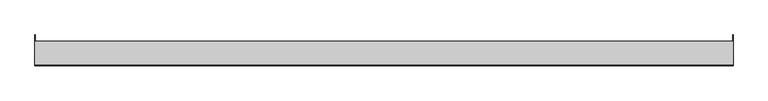
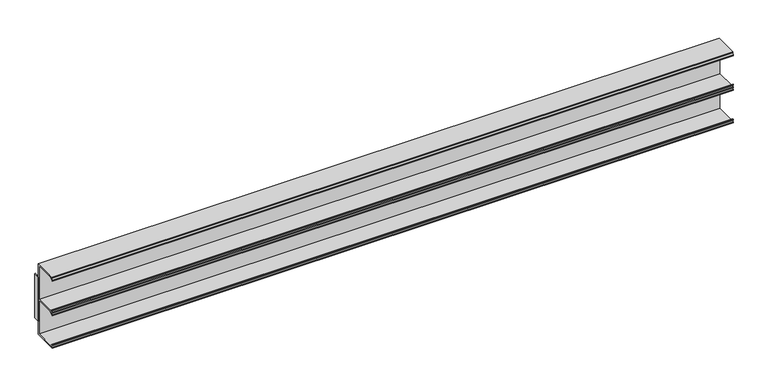
"""IFC4 building model written with IfcOpenShell, lengths in millimetres: furniture geometry."""

from ifc_helpers import new_model, si_unit, frame, origin, place, context, project, spatial, polyline, outline, extrude, source, transform, mapped, element, save


def furniture_f709b026(model_context):
    return source(origin(), model_context, "Body", "SweptSolid", [
        extrude(outline(polyline([(-111.1123009, 1193.8), (-111.1123009, 1060.45), (-153.9875, 1060.45), (-153.9875, 1062.4312017), (-151.1172991, 1062.4312017), (-153.9875, 1065.072801), (-153.9875, 1067.1810027), (-153.1650166, 1067.1810027), (-148.0041722, 1062.4312017), (-113.093501, 1062.4312017), (-113.093501, 1126.1336951), (-148.0041761, 1126.1336951), (-153.1650166, 1121.3838942), (-153.9875, 1121.3838942), (-153.9875, 1123.4920939), (-151.1172991, 1126.1336951), (-153.9875, 1126.1336951), (-153.9875, 1128.1148923), (-151.1172963, 1128.1148923), (-153.9875, 1130.7564962), (-153.9875, 1132.8646933), (-153.1650166, 1132.8646933), (-148.0041761, 1128.1148923), (-113.093501, 1128.1148923), (-113.093501, 1191.8188), (-148.0041761, 1191.8188), (-153.1650166, 1187.0690002), (-153.9875, 1187.0690002), (-153.9875, 1189.1772001), (-151.1172991, 1191.8188), (-152.4127006, 1191.8188), (-152.4127006, 1193.8), (-111.1123009, 1193.8)])), frame((-609.6, 0.0, 0.0), z_axis=(1.0, 0.0, 0.0), x_axis=(0.0, 1.0, 0.0)), (0.0, 0.0, 1.0), 1219.2),
        extrude(outline(polyline([(609.6, -111.1123009), (608.80625, -111.1123009), (608.80625, -100.0125), (609.6, -100.0125), (609.6, -111.1123009)])), frame((0.0, 0.0, 1085.5197997), z_axis=(0.0, 0.0, 1.0), x_axis=(1.0, 0.0, 0.0)), (0.0, 0.0, 1.0), 83.2104006),
        extrude(outline(polyline([(-609.6, -100.0125), (-608.80625, -100.0125), (-608.80625, -111.1123009), (-609.6, -111.1123009), (-609.6, -100.0125)])), frame((0.0, 0.0, 1085.5197997), z_axis=(0.0, 0.0, 1.0), x_axis=(1.0, 0.0, 0.0)), (0.0, 0.0, 1.0), 83.2104006),
    ])


if __name__ == "__main__":
    model = new_model("IFC4")
    model_context = context("Model", 3, world=origin())
    ifc_project = project(units=[si_unit("LENGTHUNIT", "METRE", prefix="MILLI")], contexts=[model_context])
    site = spatial("IfcSite", under=ifc_project)
    building = spatial("IfcBuilding", under=site)
    placement = place(None, origin())
    furniture_shape = furniture_f709b026(model_context)
    element("IfcFurniture", 1, at=placement, inside=building, context=model_context, shape_type="MappedRepresentation", body=[
        mapped(furniture_shape, transform((0.0, 0.0, 0.0), x_axis=(1.0, 0.0, 0.0), y_axis=(0.0, 1.0, 0.0), z_axis=(0.0, 0.0, 1.0))),
    ])
    save(model, "model.ifc")
